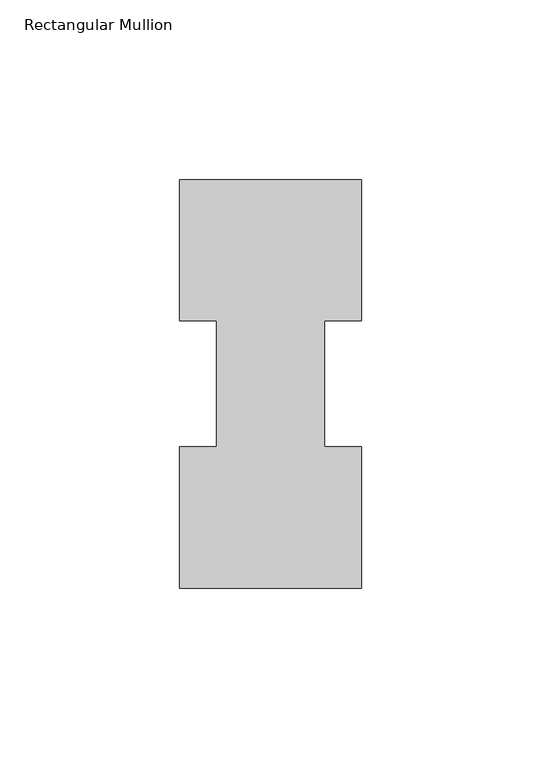
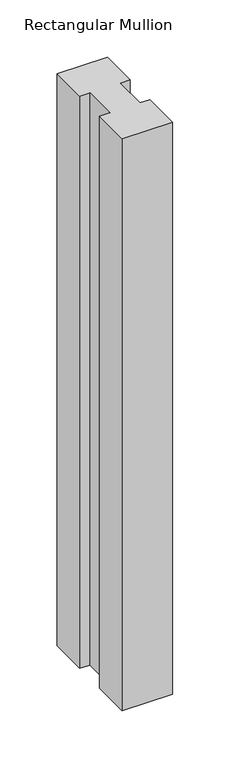
"""IFC4 building model written with IfcOpenShell, lengths in millimetres: member geometry, Rectangular Mullion."""

from ifc_helpers import new_model, si_unit, frame, origin, place, context, project, spatial, polyline, outline, extrude, source, transform, mapped, element, save


def rectangular_mullion_d36d4d4d(model_context):
    return source(origin(), model_context, "Body", "SweptSolid", [
        extrude(outline(polyline([(-50.8, 114.017425), (0.0, 114.017425), (0.0, 74.622025), (-10.3124046, 74.622025), (-10.3124046, 39.646225), (0.0, 39.646225), (0.0, 0.225425), (-50.8, 0.225425), (-50.8, 39.646225), (-40.4875954, 39.646225), (-40.4875954, 74.622025), (-50.8, 74.622025), (-50.8, 114.017425)])), frame((0.0, 0.0, -609.6), z_axis=(0.0, 0.0, 1.0), x_axis=(1.0, 0.0, 0.0)), (0.0, 0.0, 1.0), 609.6),
    ])


if __name__ == "__main__":
    model = new_model("IFC4")
    model_context = context("Model", 3, world=origin())
    ifc_project = project(units=[si_unit("LENGTHUNIT", "METRE", prefix="MILLI")], contexts=[model_context])
    site = spatial("IfcSite", under=ifc_project)
    building = spatial("IfcBuilding", under=site)
    placement = place(None, origin())
    rectangular_mullion_shape = rectangular_mullion_d36d4d4d(model_context)
    element("IfcMember", 1, ObjectType="Rectangular Mullion", at=placement, inside=building, context=model_context, shape_type="MappedRepresentation", body=[
        mapped(rectangular_mullion_shape, transform((0.0, 0.0, 0.0), x_axis=(1.0, 0.0, 0.0), y_axis=(0.0, 1.0, 0.0), z_axis=(0.0, 0.0, 1.0))),
    ])
    save(model, "model.ifc")
